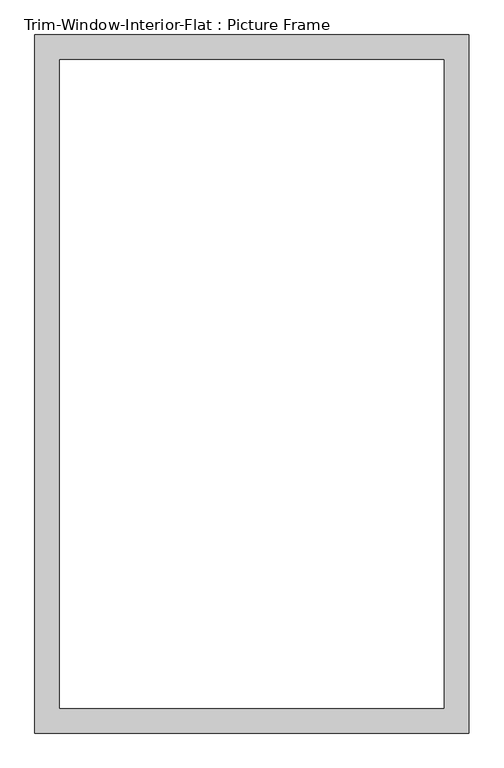
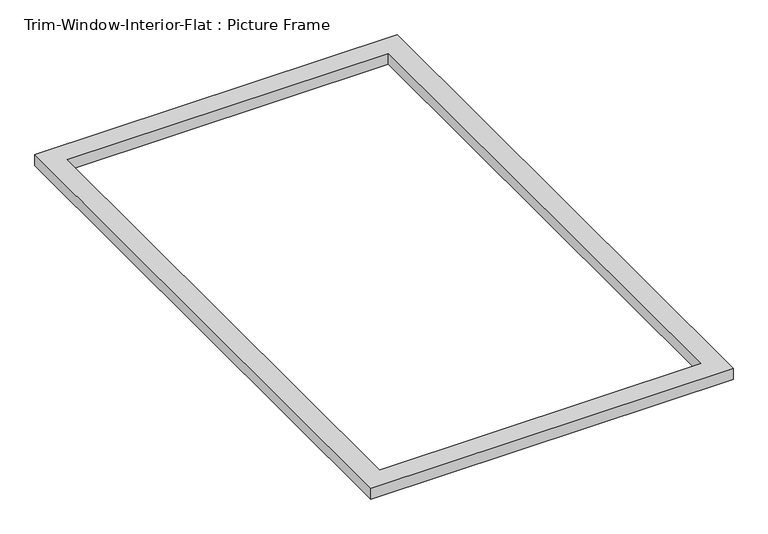
"""IFC4 building model written with IfcOpenShell, lengths in millimetres: proxy geometry, Trim-Window-Interior-Flat : Picture Frame."""

from ifc_helpers import new_model, si_unit, origin, origin_with_axes, place, context, project, spatial, polyline, outline, extrude, source, transform, mapped, element, save


def trim_window_interior_flat_picture_frame_3667116f(model_context):
    return source(origin(), model_context, "Body", "SweptSolid", [
        extrude(outline(polyline([(501.65, 44.45), (501.65, -1568.45), (-501.65, -1568.45), (-501.65, 44.45), (501.65, 44.45)]), holes=[polyline([(444.5, -12.7), (-444.5, -12.7), (-444.5, -1511.3), (444.5, -1511.3), (444.5, -12.7)])]), origin_with_axes(), (0.0, 0.0, 1.0), 31.75),
    ])


if __name__ == "__main__":
    model = new_model("IFC4")
    model_context = context("Model", 3, world=origin())
    ifc_project = project(units=[si_unit("LENGTHUNIT", "METRE", prefix="MILLI")], contexts=[model_context])
    site = spatial("IfcSite", under=ifc_project)
    building = spatial("IfcBuilding", under=site)
    placement = place(None, origin())
    trim_window_interior_flat_picture_frame_shape = trim_window_interior_flat_picture_frame_3667116f(model_context)
    element("IfcBuildingElementProxy", 1, Name="Trim-Window-Interior-Flat : Picture Frame", ObjectType="Trim-Window-Interior-Flat : Picture Frame", at=placement, inside=building, context=model_context, shape_type="MappedRepresentation", body=[
        mapped(trim_window_interior_flat_picture_frame_shape, transform((0.0, 0.0, 0.0), x_axis=(1.0, 0.0, 0.0), y_axis=(0.0, 1.0, 0.0), z_axis=(0.0, 0.0, 1.0))),
    ])
    save(model, "model.ifc")
